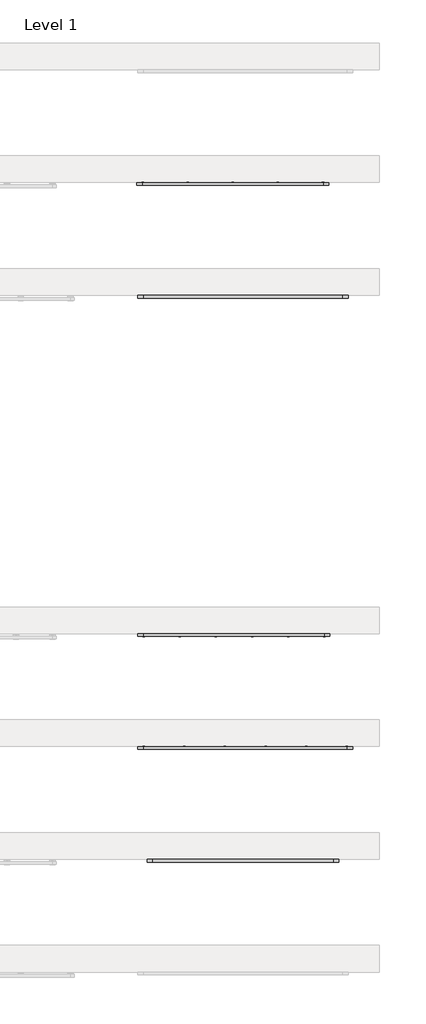
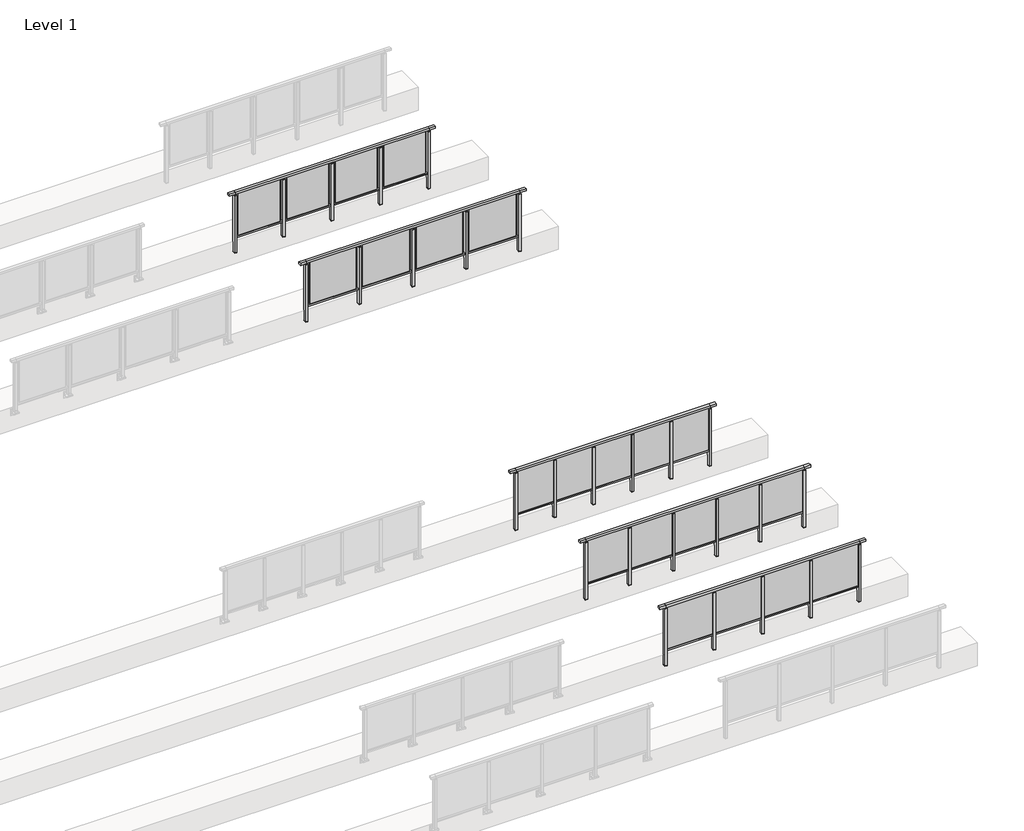
# One storey, part 27 of 37: 5 railings.
"""IFC4 building model written with IfcOpenShell, lengths in millimetres."""

from ifc_helpers import new_model, si_unit, frame, origin, place, context, project, spatial, polyline, outline, extrude, faceted_brep, element, save

model = new_model("IFC4")

# Units and contexts
model_context = context("Model", 3, world=origin())
ifc_project = project(units=[si_unit("LENGTHUNIT", "METRE", prefix="MILLI")], contexts=[model_context])

# Site, building, storey
site = spatial("IfcSite", under=ifc_project)
building = spatial("IfcBuilding", under=site)
storey = spatial("IfcBuildingStorey", under=building, Name="Level 1", Elevation=0.0)

# Railings
placement = place(None, origin())
element("IfcRailing", 1, at=placement, inside=storey, context=model_context, shape_type="SolidModel", body=[
    faceted_brep([(48227.0, 32397.6846828, 1055.0), (48227.0, 32397.6846828, 1100.0), (52227.0, 32397.6846828, 1100.0), (52227.0, 32397.6846828, 1055.0), (48227.0, 32337.6846828, 1055.0), (52227.0, 32337.6846828, 1055.0), (48227.0, 32337.6846828, 1100.0), (52227.0, 32337.6846828, 1100.0), (48099.5, 32397.6846828, 1100.0), (48099.5, 32397.6846828, 1055.0), (48099.5, 32337.6846828, 1055.0), (48099.5, 32337.6846828, 1100.0), (52354.5, 32397.6846828, 1100.0), (52354.5, 32337.6846828, 1100.0), (52354.5, 32337.6846828, 1055.0), (52354.5, 32397.6846828, 1055.0)], [[[0, 1, 2, 3]], [[4, 0, 3, 5]], [[6, 4, 5, 7]], [[1, 6, 7, 2]], [[8, 9, 10, 11]], [[9, 8, 1, 0]], [[10, 9, 0, 4]], [[11, 10, 4, 6]], [[8, 11, 6, 1]], [[12, 13, 14, 15]], [[3, 2, 12, 15]], [[5, 3, 15, 14]], [[7, 5, 14, 13]], [[2, 7, 13, 12]]]),
    extrude(outline(polyline([(48227.0, 32350.1846828), (48227.0, 32385.1846828), (52227.0, 32385.1846828), (52227.0, 32350.1846828), (48227.0, 32350.1846828)])), frame((0.0, 0.0, 95.0), z_axis=(0.0, 0.0, 1.0), x_axis=(1.0, 0.0, 0.0)), (0.0, 0.0, 1.0), 30.0),
    extrude(outline(polyline([(51237.0, 32361.9094929), (51237.0, 32371.9094929), (52217.0, 32371.9094929), (52217.0, 32361.9094929), (51237.0, 32361.9094929)])), frame((0.0, 0.0, 125.0), z_axis=(0.0, 0.0, 1.0), x_axis=(1.0, 0.0, 0.0)), (0.0, 0.0, 1.0), 930.0),
    extrude(outline(polyline([(51249.5, 32400.1846828), (51249.5, 32335.1846828), (51204.5, 32335.1846828), (51204.5, 32400.1846828), (51249.5, 32400.1846828)])), frame((0.0, 0.0, 1027.0), z_axis=(0.0, 0.0, 1.0), x_axis=(1.0, 0.0, 0.0)), (0.0, 0.0, 1.0), 8.0),
    extrude(outline(polyline([(51249.5, 32400.1846828), (51249.5, 32335.1846828), (51204.5, 32335.1846828), (51204.5, 32400.1846828), (51249.5, 32400.1846828)])), frame((0.0, 0.0, -212.0), z_axis=(0.0, 0.0, 1.0), x_axis=(1.0, 0.0, 0.0)), (0.0, 0.0, 1.0), 1239.0),
    extrude(outline(polyline([(51237.0, 32377.6846828), (51237.0, 32357.6846828), (51217.0, 32357.6846828), (51217.0, 32377.6846828), (51237.0, 32377.6846828)])), frame((0.0, 0.0, 1035.0), z_axis=(0.0, 0.0, 1.0), x_axis=(1.0, 0.0, 0.0)), (0.0, 0.0, 1.0), 20.0),
    extrude(outline(polyline([(51249.5, 32400.1846828), (51249.5, 32335.1846828), (51204.5, 32335.1846828), (51204.5, 32400.1846828), (51249.5, 32400.1846828)])), frame((0.0, 0.0, -220.0), z_axis=(0.0, 0.0, 1.0), x_axis=(1.0, 0.0, 0.0)), (0.0, 0.0, 1.0), 8.0),
    extrude(outline(polyline([(50237.0, 32361.9094929), (50237.0, 32371.9094929), (51217.0, 32371.9094929), (51217.0, 32361.9094929), (50237.0, 32361.9094929)])), frame((0.0, 0.0, 125.0), z_axis=(0.0, 0.0, 1.0), x_axis=(1.0, 0.0, 0.0)), (0.0, 0.0, 1.0), 930.0),
    extrude(outline(polyline([(50249.5, 32400.1846828), (50249.5, 32335.1846828), (50204.5, 32335.1846828), (50204.5, 32400.1846828), (50249.5, 32400.1846828)])), frame((0.0, 0.0, 1027.0), z_axis=(0.0, 0.0, 1.0), x_axis=(1.0, 0.0, 0.0)), (0.0, 0.0, 1.0), 8.0),
    extrude(outline(polyline([(50249.5, 32400.1846828), (50249.5, 32335.1846828), (50204.5, 32335.1846828), (50204.5, 32400.1846828), (50249.5, 32400.1846828)])), frame((0.0, 0.0, -212.0), z_axis=(0.0, 0.0, 1.0), x_axis=(1.0, 0.0, 0.0)), (0.0, 0.0, 1.0), 1239.0),
    extrude(outline(polyline([(50237.0, 32377.6846828), (50237.0, 32357.6846828), (50217.0, 32357.6846828), (50217.0, 32377.6846828), (50237.0, 32377.6846828)])), frame((0.0, 0.0, 1035.0), z_axis=(0.0, 0.0, 1.0), x_axis=(1.0, 0.0, 0.0)), (0.0, 0.0, 1.0), 20.0),
    extrude(outline(polyline([(50249.5, 32400.1846828), (50249.5, 32335.1846828), (50204.5, 32335.1846828), (50204.5, 32400.1846828), (50249.5, 32400.1846828)])), frame((0.0, 0.0, -220.0), z_axis=(0.0, 0.0, 1.0), x_axis=(1.0, 0.0, 0.0)), (0.0, 0.0, 1.0), 8.0),
    extrude(outline(polyline([(49237.0, 32361.9094929), (49237.0, 32371.9094929), (50217.0, 32371.9094929), (50217.0, 32361.9094929), (49237.0, 32361.9094929)])), frame((0.0, 0.0, 125.0), z_axis=(0.0, 0.0, 1.0), x_axis=(1.0, 0.0, 0.0)), (0.0, 0.0, 1.0), 930.0),
    extrude(outline(polyline([(49249.5, 32400.1846828), (49249.5, 32335.1846828), (49204.5, 32335.1846828), (49204.5, 32400.1846828), (49249.5, 32400.1846828)])), frame((0.0, 0.0, 1027.0), z_axis=(0.0, 0.0, 1.0), x_axis=(1.0, 0.0, 0.0)), (0.0, 0.0, 1.0), 8.0),
    extrude(outline(polyline([(49249.5, 32400.1846828), (49249.5, 32335.1846828), (49204.5, 32335.1846828), (49204.5, 32400.1846828), (49249.5, 32400.1846828)])), frame((0.0, 0.0, -212.0), z_axis=(0.0, 0.0, 1.0), x_axis=(1.0, 0.0, 0.0)), (0.0, 0.0, 1.0), 1239.0),
    extrude(outline(polyline([(49237.0, 32377.6846828), (49237.0, 32357.6846828), (49217.0, 32357.6846828), (49217.0, 32377.6846828), (49237.0, 32377.6846828)])), frame((0.0, 0.0, 1035.0), z_axis=(0.0, 0.0, 1.0), x_axis=(1.0, 0.0, 0.0)), (0.0, 0.0, 1.0), 20.0),
    extrude(outline(polyline([(49249.5, 32400.1846828), (49249.5, 32335.1846828), (49204.5, 32335.1846828), (49204.5, 32400.1846828), (49249.5, 32400.1846828)])), frame((0.0, 0.0, -220.0), z_axis=(0.0, 0.0, 1.0), x_axis=(1.0, 0.0, 0.0)), (0.0, 0.0, 1.0), 8.0),
    extrude(outline(polyline([(48237.0, 32361.9094929), (48237.0, 32371.9094929), (49217.0, 32371.9094929), (49217.0, 32361.9094929), (48237.0, 32361.9094929)])), frame((0.0, 0.0, 125.0), z_axis=(0.0, 0.0, 1.0), x_axis=(1.0, 0.0, 0.0)), (0.0, 0.0, 1.0), 930.0),
    extrude(outline(polyline([(52249.5, 32400.1846828), (52249.5, 32335.1846828), (52204.5, 32335.1846828), (52204.5, 32400.1846828), (52249.5, 32400.1846828)])), frame((0.0, 0.0, 1027.0), z_axis=(0.0, 0.0, 1.0), x_axis=(1.0, 0.0, 0.0)), (0.0, 0.0, 1.0), 8.0),
    extrude(outline(polyline([(52249.5, 32400.1846828), (52249.5, 32335.1846828), (52204.5, 32335.1846828), (52204.5, 32400.1846828), (52249.5, 32400.1846828)])), frame((0.0, 0.0, -212.0), z_axis=(0.0, 0.0, 1.0), x_axis=(1.0, 0.0, 0.0)), (0.0, 0.0, 1.0), 1239.0),
    extrude(outline(polyline([(52237.0, 32377.6846828), (52237.0, 32357.6846828), (52217.0, 32357.6846828), (52217.0, 32377.6846828), (52237.0, 32377.6846828)])), frame((0.0, 0.0, 1035.0), z_axis=(0.0, 0.0, 1.0), x_axis=(1.0, 0.0, 0.0)), (0.0, 0.0, 1.0), 20.0),
    extrude(outline(polyline([(52249.5, 32400.1846828), (52249.5, 32335.1846828), (52204.5, 32335.1846828), (52204.5, 32400.1846828), (52249.5, 32400.1846828)])), frame((0.0, 0.0, -220.0), z_axis=(0.0, 0.0, 1.0), x_axis=(1.0, 0.0, 0.0)), (0.0, 0.0, 1.0), 8.0),
    extrude(outline(polyline([(48249.5, 32400.1846828), (48249.5, 32335.1846828), (48204.5, 32335.1846828), (48204.5, 32400.1846828), (48249.5, 32400.1846828)])), frame((0.0, 0.0, 1027.0), z_axis=(0.0, 0.0, 1.0), x_axis=(1.0, 0.0, 0.0)), (0.0, 0.0, 1.0), 8.0),
    extrude(outline(polyline([(48249.5, 32400.1846828), (48249.5, 32335.1846828), (48204.5, 32335.1846828), (48204.5, 32400.1846828), (48249.5, 32400.1846828)])), frame((0.0, 0.0, -212.0), z_axis=(0.0, 0.0, 1.0), x_axis=(1.0, 0.0, 0.0)), (0.0, 0.0, 1.0), 1239.0),
    extrude(outline(polyline([(48237.0, 32377.6846828), (48237.0, 32357.6846828), (48217.0, 32357.6846828), (48217.0, 32377.6846828), (48237.0, 32377.6846828)])), frame((0.0, 0.0, 1035.0), z_axis=(0.0, 0.0, 1.0), x_axis=(1.0, 0.0, 0.0)), (0.0, 0.0, 1.0), 20.0),
    extrude(outline(polyline([(48249.5, 32400.1846828), (48249.5, 32335.1846828), (48204.5, 32335.1846828), (48204.5, 32400.1846828), (48249.5, 32400.1846828)])), frame((0.0, 0.0, -220.0), z_axis=(0.0, 0.0, 1.0), x_axis=(1.0, 0.0, 0.0)), (0.0, 0.0, 1.0), 8.0),
])
element("IfcRailing", 2, at=placement, inside=storey, context=model_context, shape_type="SolidModel", body=[
    faceted_brep([(48027.0, 34897.6846828, 1055.0), (48027.0, 34897.6846828, 1100.0), (52527.0, 34897.6846828, 1100.0), (52527.0, 34897.6846828, 1055.0), (48027.0, 34837.6846828, 1055.0), (52527.0, 34837.6846828, 1055.0), (48027.0, 34837.6846828, 1100.0), (52527.0, 34837.6846828, 1100.0), (47899.5, 34897.6846828, 1100.0), (47899.5, 34897.6846828, 1055.0), (47899.5, 34837.6846828, 1055.0), (47899.5, 34837.6846828, 1100.0), (52654.5, 34897.6846828, 1100.0), (52654.5, 34837.6846828, 1100.0), (52654.5, 34837.6846828, 1055.0), (52654.5, 34897.6846828, 1055.0)], [[[0, 1, 2, 3]], [[4, 0, 3, 5]], [[6, 4, 5, 7]], [[1, 6, 7, 2]], [[8, 9, 10, 11]], [[9, 8, 1, 0]], [[10, 9, 0, 4]], [[11, 10, 4, 6]], [[8, 11, 6, 1]], [[12, 13, 14, 15]], [[3, 2, 12, 15]], [[5, 3, 15, 14]], [[7, 5, 14, 13]], [[2, 7, 13, 12]]]),
    extrude(outline(polyline([(48027.0, 34850.1846828), (48027.0, 34885.1846828), (52527.0, 34885.1846828), (52527.0, 34850.1846828), (48027.0, 34850.1846828)])), frame((0.0, 0.0, 95.0), z_axis=(0.0, 0.0, 1.0), x_axis=(1.0, 0.0, 0.0)), (0.0, 0.0, 1.0), 30.0),
    extrude(outline(polyline([(51637.0, 34861.9094929), (51637.0, 34871.9094929), (52517.0, 34871.9094929), (52517.0, 34861.9094929), (51637.0, 34861.9094929)])), frame((0.0, 0.0, 125.0), z_axis=(0.0, 0.0, 1.0), x_axis=(1.0, 0.0, 0.0)), (0.0, 0.0, 1.0), 930.0),
    extrude(outline(polyline([(51649.5, 34900.1846828), (51649.5, 34835.1846828), (51604.5, 34835.1846828), (51604.5, 34900.1846828), (51649.5, 34900.1846828)])), frame((0.0, 0.0, 1027.0), z_axis=(0.0, 0.0, 1.0), x_axis=(1.0, 0.0, 0.0)), (0.0, 0.0, 1.0), 8.0),
    extrude(outline(polyline([(51649.5, 34900.1846828), (51649.5, 34835.1846828), (51604.5, 34835.1846828), (51604.5, 34900.1846828), (51649.5, 34900.1846828)])), frame((0.0, 0.0, -212.0), z_axis=(0.0, 0.0, 1.0), x_axis=(1.0, 0.0, 0.0)), (0.0, 0.0, 1.0), 1239.0),
    extrude(outline(polyline([(51637.0, 34877.6846828), (51637.0, 34857.6846828), (51617.0, 34857.6846828), (51617.0, 34877.6846828), (51637.0, 34877.6846828)])), frame((0.0, 0.0, 1035.0), z_axis=(0.0, 0.0, 1.0), x_axis=(1.0, 0.0, 0.0)), (0.0, 0.0, 1.0), 20.0),
    extrude(outline(polyline([(51649.5, 34900.1846828), (51649.5, 34835.1846828), (51604.5, 34835.1846828), (51604.5, 34900.1846828), (51649.5, 34900.1846828)])), frame((0.0, 0.0, -220.0), z_axis=(0.0, 0.0, 1.0), x_axis=(1.0, 0.0, 0.0)), (0.0, 0.0, 1.0), 8.0),
    extrude(outline(polyline([(50737.0, 34861.9094929), (50737.0, 34871.9094929), (51617.0, 34871.9094929), (51617.0, 34861.9094929), (50737.0, 34861.9094929)])), frame((0.0, 0.0, 125.0), z_axis=(0.0, 0.0, 1.0), x_axis=(1.0, 0.0, 0.0)), (0.0, 0.0, 1.0), 930.0),
    extrude(outline(polyline([(50749.5, 34900.1846828), (50749.5, 34835.1846828), (50704.5, 34835.1846828), (50704.5, 34900.1846828), (50749.5, 34900.1846828)])), frame((0.0, 0.0, 1027.0), z_axis=(0.0, 0.0, 1.0), x_axis=(1.0, 0.0, 0.0)), (0.0, 0.0, 1.0), 8.0),
    extrude(outline(polyline([(50749.5, 34900.1846828), (50749.5, 34835.1846828), (50704.5, 34835.1846828), (50704.5, 34900.1846828), (50749.5, 34900.1846828)])), frame((0.0, 0.0, -212.0), z_axis=(0.0, 0.0, 1.0), x_axis=(1.0, 0.0, 0.0)), (0.0, 0.0, 1.0), 1239.0),
    extrude(outline(polyline([(50737.0, 34877.6846828), (50737.0, 34857.6846828), (50717.0, 34857.6846828), (50717.0, 34877.6846828), (50737.0, 34877.6846828)])), frame((0.0, 0.0, 1035.0), z_axis=(0.0, 0.0, 1.0), x_axis=(1.0, 0.0, 0.0)), (0.0, 0.0, 1.0), 20.0),
    extrude(outline(polyline([(50749.5, 34900.1846828), (50749.5, 34835.1846828), (50704.5, 34835.1846828), (50704.5, 34900.1846828), (50749.5, 34900.1846828)])), frame((0.0, 0.0, -220.0), z_axis=(0.0, 0.0, 1.0), x_axis=(1.0, 0.0, 0.0)), (0.0, 0.0, 1.0), 8.0),
    extrude(outline(polyline([(49837.0, 34861.9094929), (49837.0, 34871.9094929), (50717.0, 34871.9094929), (50717.0, 34861.9094929), (49837.0, 34861.9094929)])), frame((0.0, 0.0, 125.0), z_axis=(0.0, 0.0, 1.0), x_axis=(1.0, 0.0, 0.0)), (0.0, 0.0, 1.0), 930.0),
    extrude(outline(polyline([(49849.5, 34900.1846828), (49849.5, 34835.1846828), (49804.5, 34835.1846828), (49804.5, 34900.1846828), (49849.5, 34900.1846828)])), frame((0.0, 0.0, 1027.0), z_axis=(0.0, 0.0, 1.0), x_axis=(1.0, 0.0, 0.0)), (0.0, 0.0, 1.0), 8.0),
    extrude(outline(polyline([(49849.5, 34900.1846828), (49849.5, 34835.1846828), (49804.5, 34835.1846828), (49804.5, 34900.1846828), (49849.5, 34900.1846828)])), frame((0.0, 0.0, -212.0), z_axis=(0.0, 0.0, 1.0), x_axis=(1.0, 0.0, 0.0)), (0.0, 0.0, 1.0), 1239.0),
    extrude(outline(polyline([(49837.0, 34877.6846828), (49837.0, 34857.6846828), (49817.0, 34857.6846828), (49817.0, 34877.6846828), (49837.0, 34877.6846828)])), frame((0.0, 0.0, 1035.0), z_axis=(0.0, 0.0, 1.0), x_axis=(1.0, 0.0, 0.0)), (0.0, 0.0, 1.0), 20.0),
    extrude(outline(polyline([(49849.5, 34900.1846828), (49849.5, 34835.1846828), (49804.5, 34835.1846828), (49804.5, 34900.1846828), (49849.5, 34900.1846828)])), frame((0.0, 0.0, -220.0), z_axis=(0.0, 0.0, 1.0), x_axis=(1.0, 0.0, 0.0)), (0.0, 0.0, 1.0), 8.0),
    extrude(outline(polyline([(48937.0, 34861.9094929), (48937.0, 34871.9094929), (49817.0, 34871.9094929), (49817.0, 34861.9094929), (48937.0, 34861.9094929)])), frame((0.0, 0.0, 125.0), z_axis=(0.0, 0.0, 1.0), x_axis=(1.0, 0.0, 0.0)), (0.0, 0.0, 1.0), 930.0),
    extrude(outline(polyline([(48949.5, 34900.1846828), (48949.5, 34835.1846828), (48904.5, 34835.1846828), (48904.5, 34900.1846828), (48949.5, 34900.1846828)])), frame((0.0, 0.0, 1027.0), z_axis=(0.0, 0.0, 1.0), x_axis=(1.0, 0.0, 0.0)), (0.0, 0.0, 1.0), 8.0),
    extrude(outline(polyline([(48949.5, 34900.1846828), (48949.5, 34835.1846828), (48904.5, 34835.1846828), (48904.5, 34900.1846828), (48949.5, 34900.1846828)])), frame((0.0, 0.0, -212.0), z_axis=(0.0, 0.0, 1.0), x_axis=(1.0, 0.0, 0.0)), (0.0, 0.0, 1.0), 1239.0),
    extrude(outline(polyline([(48937.0, 34877.6846828), (48937.0, 34857.6846828), (48917.0, 34857.6846828), (48917.0, 34877.6846828), (48937.0, 34877.6846828)])), frame((0.0, 0.0, 1035.0), z_axis=(0.0, 0.0, 1.0), x_axis=(1.0, 0.0, 0.0)), (0.0, 0.0, 1.0), 20.0),
    extrude(outline(polyline([(48949.5, 34900.1846828), (48949.5, 34835.1846828), (48904.5, 34835.1846828), (48904.5, 34900.1846828), (48949.5, 34900.1846828)])), frame((0.0, 0.0, -220.0), z_axis=(0.0, 0.0, 1.0), x_axis=(1.0, 0.0, 0.0)), (0.0, 0.0, 1.0), 8.0),
    extrude(outline(polyline([(48037.0, 34861.9094929), (48037.0, 34871.9094929), (48917.0, 34871.9094929), (48917.0, 34861.9094929), (48037.0, 34861.9094929)])), frame((0.0, 0.0, 125.0), z_axis=(0.0, 0.0, 1.0), x_axis=(1.0, 0.0, 0.0)), (0.0, 0.0, 1.0), 930.0),
    extrude(outline(polyline([(52549.5, 34900.1846828), (52549.5, 34835.1846828), (52504.5, 34835.1846828), (52504.5, 34900.1846828), (52549.5, 34900.1846828)])), frame((0.0, 0.0, 1027.0), z_axis=(0.0, 0.0, 1.0), x_axis=(1.0, 0.0, 0.0)), (0.0, 0.0, 1.0), 8.0),
    extrude(outline(polyline([(52549.5, 34900.1846828), (52549.5, 34835.1846828), (52504.5, 34835.1846828), (52504.5, 34900.1846828), (52549.5, 34900.1846828)])), frame((0.0, 0.0, -212.0), z_axis=(0.0, 0.0, 1.0), x_axis=(1.0, 0.0, 0.0)), (0.0, 0.0, 1.0), 1239.0),
    extrude(outline(polyline([(52537.0, 34877.6846828), (52537.0, 34857.6846828), (52517.0, 34857.6846828), (52517.0, 34877.6846828), (52537.0, 34877.6846828)])), frame((0.0, 0.0, 1035.0), z_axis=(0.0, 0.0, 1.0), x_axis=(1.0, 0.0, 0.0)), (0.0, 0.0, 1.0), 20.0),
    extrude(outline(polyline([(52549.5, 34900.1846828), (52549.5, 34835.1846828), (52504.5, 34835.1846828), (52504.5, 34900.1846828), (52549.5, 34900.1846828)])), frame((0.0, 0.0, -220.0), z_axis=(0.0, 0.0, 1.0), x_axis=(1.0, 0.0, 0.0)), (0.0, 0.0, 1.0), 8.0),
    extrude(outline(polyline([(48049.5, 34900.1846828), (48049.5, 34835.1846828), (48004.5, 34835.1846828), (48004.5, 34900.1846828), (48049.5, 34900.1846828)])), frame((0.0, 0.0, 1027.0), z_axis=(0.0, 0.0, 1.0), x_axis=(1.0, 0.0, 0.0)), (0.0, 0.0, 1.0), 8.0),
    extrude(outline(polyline([(48049.5, 34900.1846828), (48049.5, 34835.1846828), (48004.5, 34835.1846828), (48004.5, 34900.1846828), (48049.5, 34900.1846828)])), frame((0.0, 0.0, -212.0), z_axis=(0.0, 0.0, 1.0), x_axis=(1.0, 0.0, 0.0)), (0.0, 0.0, 1.0), 1239.0),
    extrude(outline(polyline([(48037.0, 34877.6846828), (48037.0, 34857.6846828), (48017.0, 34857.6846828), (48017.0, 34877.6846828), (48037.0, 34877.6846828)])), frame((0.0, 0.0, 1035.0), z_axis=(0.0, 0.0, 1.0), x_axis=(1.0, 0.0, 0.0)), (0.0, 0.0, 1.0), 20.0),
    extrude(outline(polyline([(48049.5, 34900.1846828), (48049.5, 34835.1846828), (48004.5, 34835.1846828), (48004.5, 34900.1846828), (48049.5, 34900.1846828)])), frame((0.0, 0.0, -220.0), z_axis=(0.0, 0.0, 1.0), x_axis=(1.0, 0.0, 0.0)), (0.0, 0.0, 1.0), 8.0),
])
element("IfcRailing", 3, at=placement, inside=storey, context=model_context, shape_type="SolidModel", body=[
    faceted_brep([(48027.0, 37397.6846828, 1055.0), (48027.0, 37397.6846828, 1100.0), (52027.0, 37397.6846828, 1100.0), (52027.0, 37397.6846828, 1055.0), (48027.0, 37337.6846828, 1055.0), (52027.0, 37337.6846828, 1055.0), (48027.0, 37337.6846828, 1100.0), (52027.0, 37337.6846828, 1100.0), (47899.5, 37397.6846828, 1100.0), (47899.5, 37397.6846828, 1055.0), (47899.5, 37337.6846828, 1055.0), (47899.5, 37337.6846828, 1100.0), (52154.5, 37397.6846828, 1100.0), (52154.5, 37337.6846828, 1100.0), (52154.5, 37337.6846828, 1055.0), (52154.5, 37397.6846828, 1055.0)], [[[0, 1, 2, 3]], [[4, 0, 3, 5]], [[6, 4, 5, 7]], [[1, 6, 7, 2]], [[8, 9, 10, 11]], [[9, 8, 1, 0]], [[10, 9, 0, 4]], [[11, 10, 4, 6]], [[8, 11, 6, 1]], [[12, 13, 14, 15]], [[3, 2, 12, 15]], [[5, 3, 15, 14]], [[7, 5, 14, 13]], [[2, 7, 13, 12]]]),
    extrude(outline(polyline([(48027.0, 37350.1846828), (48027.0, 37385.1846828), (52027.0, 37385.1846828), (52027.0, 37350.1846828), (48027.0, 37350.1846828)])), frame((0.0, 0.0, 95.0), z_axis=(0.0, 0.0, 1.0), x_axis=(1.0, 0.0, 0.0)), (0.0, 0.0, 1.0), 30.0),
    extrude(outline(polyline([(51237.0, 37361.9094929), (51237.0, 37371.9094929), (52017.0, 37371.9094929), (52017.0, 37361.9094929), (51237.0, 37361.9094929)])), frame((0.0, 0.0, 125.0), z_axis=(0.0, 0.0, 1.0), x_axis=(1.0, 0.0, 0.0)), (0.0, 0.0, 1.0), 930.0),
    extrude(outline(polyline([(51249.5, 37400.1846828), (51249.5, 37335.1846828), (51204.5, 37335.1846828), (51204.5, 37400.1846828), (51249.5, 37400.1846828)])), frame((0.0, 0.0, 1027.0), z_axis=(0.0, 0.0, 1.0), x_axis=(1.0, 0.0, 0.0)), (0.0, 0.0, 1.0), 8.0),
    extrude(outline(polyline([(51249.5, 37400.1846828), (51249.5, 37335.1846828), (51204.5, 37335.1846828), (51204.5, 37400.1846828), (51249.5, 37400.1846828)])), frame((0.0, 0.0, -212.0), z_axis=(0.0, 0.0, 1.0), x_axis=(1.0, 0.0, 0.0)), (0.0, 0.0, 1.0), 1239.0),
    extrude(outline(polyline([(51237.0, 37377.6846828), (51237.0, 37357.6846828), (51217.0, 37357.6846828), (51217.0, 37377.6846828), (51237.0, 37377.6846828)])), frame((0.0, 0.0, 1035.0), z_axis=(0.0, 0.0, 1.0), x_axis=(1.0, 0.0, 0.0)), (0.0, 0.0, 1.0), 20.0),
    extrude(outline(polyline([(51249.5, 37400.1846828), (51249.5, 37335.1846828), (51204.5, 37335.1846828), (51204.5, 37400.1846828), (51249.5, 37400.1846828)])), frame((0.0, 0.0, -220.0), z_axis=(0.0, 0.0, 1.0), x_axis=(1.0, 0.0, 0.0)), (0.0, 0.0, 1.0), 8.0),
    extrude(outline(polyline([(50437.0, 37361.9094929), (50437.0, 37371.9094929), (51217.0, 37371.9094929), (51217.0, 37361.9094929), (50437.0, 37361.9094929)])), frame((0.0, 0.0, 125.0), z_axis=(0.0, 0.0, 1.0), x_axis=(1.0, 0.0, 0.0)), (0.0, 0.0, 1.0), 930.0),
    extrude(outline(polyline([(50449.5, 37400.1846828), (50449.5, 37335.1846828), (50404.5, 37335.1846828), (50404.5, 37400.1846828), (50449.5, 37400.1846828)])), frame((0.0, 0.0, 1027.0), z_axis=(0.0, 0.0, 1.0), x_axis=(1.0, 0.0, 0.0)), (0.0, 0.0, 1.0), 8.0),
    extrude(outline(polyline([(50449.5, 37400.1846828), (50449.5, 37335.1846828), (50404.5, 37335.1846828), (50404.5, 37400.1846828), (50449.5, 37400.1846828)])), frame((0.0, 0.0, -212.0), z_axis=(0.0, 0.0, 1.0), x_axis=(1.0, 0.0, 0.0)), (0.0, 0.0, 1.0), 1239.0),
    extrude(outline(polyline([(50437.0, 37377.6846828), (50437.0, 37357.6846828), (50417.0, 37357.6846828), (50417.0, 37377.6846828), (50437.0, 37377.6846828)])), frame((0.0, 0.0, 1035.0), z_axis=(0.0, 0.0, 1.0), x_axis=(1.0, 0.0, 0.0)), (0.0, 0.0, 1.0), 20.0),
    extrude(outline(polyline([(50449.5, 37400.1846828), (50449.5, 37335.1846828), (50404.5, 37335.1846828), (50404.5, 37400.1846828), (50449.5, 37400.1846828)])), frame((0.0, 0.0, -220.0), z_axis=(0.0, 0.0, 1.0), x_axis=(1.0, 0.0, 0.0)), (0.0, 0.0, 1.0), 8.0),
    extrude(outline(polyline([(49637.0, 37361.9094929), (49637.0, 37371.9094929), (50417.0, 37371.9094929), (50417.0, 37361.9094929), (49637.0, 37361.9094929)])), frame((0.0, 0.0, 125.0), z_axis=(0.0, 0.0, 1.0), x_axis=(1.0, 0.0, 0.0)), (0.0, 0.0, 1.0), 930.0),
    extrude(outline(polyline([(49649.5, 37400.1846828), (49649.5, 37335.1846828), (49604.5, 37335.1846828), (49604.5, 37400.1846828), (49649.5, 37400.1846828)])), frame((0.0, 0.0, 1027.0), z_axis=(0.0, 0.0, 1.0), x_axis=(1.0, 0.0, 0.0)), (0.0, 0.0, 1.0), 8.0),
    extrude(outline(polyline([(49649.5, 37400.1846828), (49649.5, 37335.1846828), (49604.5, 37335.1846828), (49604.5, 37400.1846828), (49649.5, 37400.1846828)])), frame((0.0, 0.0, -212.0), z_axis=(0.0, 0.0, 1.0), x_axis=(1.0, 0.0, 0.0)), (0.0, 0.0, 1.0), 1239.0),
    extrude(outline(polyline([(49637.0, 37377.6846828), (49637.0, 37357.6846828), (49617.0, 37357.6846828), (49617.0, 37377.6846828), (49637.0, 37377.6846828)])), frame((0.0, 0.0, 1035.0), z_axis=(0.0, 0.0, 1.0), x_axis=(1.0, 0.0, 0.0)), (0.0, 0.0, 1.0), 20.0),
    extrude(outline(polyline([(49649.5, 37400.1846828), (49649.5, 37335.1846828), (49604.5, 37335.1846828), (49604.5, 37400.1846828), (49649.5, 37400.1846828)])), frame((0.0, 0.0, -220.0), z_axis=(0.0, 0.0, 1.0), x_axis=(1.0, 0.0, 0.0)), (0.0, 0.0, 1.0), 8.0),
    extrude(outline(polyline([(48837.0, 37361.9094929), (48837.0, 37371.9094929), (49617.0, 37371.9094929), (49617.0, 37361.9094929), (48837.0, 37361.9094929)])), frame((0.0, 0.0, 125.0), z_axis=(0.0, 0.0, 1.0), x_axis=(1.0, 0.0, 0.0)), (0.0, 0.0, 1.0), 930.0),
    extrude(outline(polyline([(48849.5, 37400.1846828), (48849.5, 37335.1846828), (48804.5, 37335.1846828), (48804.5, 37400.1846828), (48849.5, 37400.1846828)])), frame((0.0, 0.0, 1027.0), z_axis=(0.0, 0.0, 1.0), x_axis=(1.0, 0.0, 0.0)), (0.0, 0.0, 1.0), 8.0),
    extrude(outline(polyline([(48849.5, 37400.1846828), (48849.5, 37335.1846828), (48804.5, 37335.1846828), (48804.5, 37400.1846828), (48849.5, 37400.1846828)])), frame((0.0, 0.0, -212.0), z_axis=(0.0, 0.0, 1.0), x_axis=(1.0, 0.0, 0.0)), (0.0, 0.0, 1.0), 1239.0),
    extrude(outline(polyline([(48837.0, 37377.6846828), (48837.0, 37357.6846828), (48817.0, 37357.6846828), (48817.0, 37377.6846828), (48837.0, 37377.6846828)])), frame((0.0, 0.0, 1035.0), z_axis=(0.0, 0.0, 1.0), x_axis=(1.0, 0.0, 0.0)), (0.0, 0.0, 1.0), 20.0),
    extrude(outline(polyline([(48849.5, 37400.1846828), (48849.5, 37335.1846828), (48804.5, 37335.1846828), (48804.5, 37400.1846828), (48849.5, 37400.1846828)])), frame((0.0, 0.0, -220.0), z_axis=(0.0, 0.0, 1.0), x_axis=(1.0, 0.0, 0.0)), (0.0, 0.0, 1.0), 8.0),
    extrude(outline(polyline([(48037.0, 37361.9094929), (48037.0, 37371.9094929), (48817.0, 37371.9094929), (48817.0, 37361.9094929), (48037.0, 37361.9094929)])), frame((0.0, 0.0, 125.0), z_axis=(0.0, 0.0, 1.0), x_axis=(1.0, 0.0, 0.0)), (0.0, 0.0, 1.0), 930.0),
    extrude(outline(polyline([(52049.5, 37400.1846828), (52049.5, 37335.1846828), (52004.5, 37335.1846828), (52004.5, 37400.1846828), (52049.5, 37400.1846828)])), frame((0.0, 0.0, 1027.0), z_axis=(0.0, 0.0, 1.0), x_axis=(1.0, 0.0, 0.0)), (0.0, 0.0, 1.0), 8.0),
    extrude(outline(polyline([(52049.5, 37400.1846828), (52049.5, 37335.1846828), (52004.5, 37335.1846828), (52004.5, 37400.1846828), (52049.5, 37400.1846828)])), frame((0.0, 0.0, -212.0), z_axis=(0.0, 0.0, 1.0), x_axis=(1.0, 0.0, 0.0)), (0.0, 0.0, 1.0), 1239.0),
    extrude(outline(polyline([(52037.0, 37377.6846828), (52037.0, 37357.6846828), (52017.0, 37357.6846828), (52017.0, 37377.6846828), (52037.0, 37377.6846828)])), frame((0.0, 0.0, 1035.0), z_axis=(0.0, 0.0, 1.0), x_axis=(1.0, 0.0, 0.0)), (0.0, 0.0, 1.0), 20.0),
    extrude(outline(polyline([(52049.5, 37400.1846828), (52049.5, 37335.1846828), (52004.5, 37335.1846828), (52004.5, 37400.1846828), (52049.5, 37400.1846828)])), frame((0.0, 0.0, -220.0), z_axis=(0.0, 0.0, 1.0), x_axis=(1.0, 0.0, 0.0)), (0.0, 0.0, 1.0), 8.0),
    extrude(outline(polyline([(48049.5, 37400.1846828), (48049.5, 37335.1846828), (48004.5, 37335.1846828), (48004.5, 37400.1846828), (48049.5, 37400.1846828)])), frame((0.0, 0.0, 1027.0), z_axis=(0.0, 0.0, 1.0), x_axis=(1.0, 0.0, 0.0)), (0.0, 0.0, 1.0), 8.0),
    extrude(outline(polyline([(48049.5, 37400.1846828), (48049.5, 37335.1846828), (48004.5, 37335.1846828), (48004.5, 37400.1846828), (48049.5, 37400.1846828)])), frame((0.0, 0.0, -212.0), z_axis=(0.0, 0.0, 1.0), x_axis=(1.0, 0.0, 0.0)), (0.0, 0.0, 1.0), 1239.0),
    extrude(outline(polyline([(48037.0, 37377.6846828), (48037.0, 37357.6846828), (48017.0, 37357.6846828), (48017.0, 37377.6846828), (48037.0, 37377.6846828)])), frame((0.0, 0.0, 1035.0), z_axis=(0.0, 0.0, 1.0), x_axis=(1.0, 0.0, 0.0)), (0.0, 0.0, 1.0), 20.0),
    extrude(outline(polyline([(48049.5, 37400.1846828), (48049.5, 37335.1846828), (48004.5, 37335.1846828), (48004.5, 37400.1846828), (48049.5, 37400.1846828)])), frame((0.0, 0.0, -220.0), z_axis=(0.0, 0.0, 1.0), x_axis=(1.0, 0.0, 0.0)), (0.0, 0.0, 1.0), 8.0),
])
element("IfcRailing", 4, at=placement, inside=storey, context=model_context, shape_type="SolidModel", body=[
    faceted_brep([(48027.0, 44897.6846828, 1055.0), (48027.0, 44897.6846828, 1100.0), (52427.0, 44897.6846828, 1100.0), (52427.0, 44897.6846828, 1055.0), (48027.0, 44837.6846828, 1055.0), (52427.0, 44837.6846828, 1055.0), (48027.0, 44837.6846828, 1100.0), (52427.0, 44837.6846828, 1100.0), (47899.5, 44897.6846828, 1100.0), (47899.5, 44897.6846828, 1055.0), (47899.5, 44837.6846828, 1055.0), (47899.5, 44837.6846828, 1100.0), (52554.5, 44897.6846828, 1100.0), (52554.5, 44837.6846828, 1100.0), (52554.5, 44837.6846828, 1055.0), (52554.5, 44897.6846828, 1055.0)], [[[0, 1, 2, 3]], [[4, 0, 3, 5]], [[6, 4, 5, 7]], [[1, 6, 7, 2]], [[8, 9, 10, 11]], [[9, 8, 1, 0]], [[10, 9, 0, 4]], [[11, 10, 4, 6]], [[8, 11, 6, 1]], [[12, 13, 14, 15]], [[3, 2, 12, 15]], [[5, 3, 15, 14]], [[7, 5, 14, 13]], [[2, 7, 13, 12]]]),
    extrude(outline(polyline([(48027.0, 44850.1846828), (48027.0, 44885.1846828), (52427.0, 44885.1846828), (52427.0, 44850.1846828), (48027.0, 44850.1846828)])), frame((0.0, 0.0, 95.0), z_axis=(0.0, 0.0, 1.0), x_axis=(1.0, 0.0, 0.0)), (0.0, 0.0, 1.0), 30.0),
    extrude(outline(polyline([(51399.5, 44865.9094929), (51399.5, 44871.9094929), (52354.5, 44871.9094929), (52354.5, 44865.9094929), (51399.5, 44865.9094929)])), frame((0.0, 0.0, 125.0), z_axis=(0.0, 0.0, 1.0), x_axis=(1.0, 0.0, 0.0)), (0.0, 0.0, 1.0), 930.0),
    extrude(outline(polyline([(51349.5, 44900.1846828), (51349.5, 44835.1846828), (51304.5, 44835.1846828), (51304.5, 44900.1846828), (51349.5, 44900.1846828)])), frame((0.0, 0.0, 1027.0), z_axis=(0.0, 0.0, 1.0), x_axis=(1.0, 0.0, 0.0)), (0.0, 0.0, 1.0), 8.0),
    extrude(outline(polyline([(51349.5, 44900.1846828), (51349.5, 44835.1846828), (51304.5, 44835.1846828), (51304.5, 44900.1846828), (51349.5, 44900.1846828)])), frame((0.0, 0.0, -212.0), z_axis=(0.0, 0.0, 1.0), x_axis=(1.0, 0.0, 0.0)), (0.0, 0.0, 1.0), 1239.0),
    extrude(outline(polyline([(51337.0, 44877.6846828), (51337.0, 44857.6846828), (51317.0, 44857.6846828), (51317.0, 44877.6846828), (51337.0, 44877.6846828)])), frame((0.0, 0.0, 1035.0), z_axis=(0.0, 0.0, 1.0), x_axis=(1.0, 0.0, 0.0)), (0.0, 0.0, 1.0), 20.0),
    extrude(outline(polyline([(51349.5, 44900.1846828), (51349.5, 44835.1846828), (51304.5, 44835.1846828), (51304.5, 44900.1846828), (51349.5, 44900.1846828)])), frame((0.0, 0.0, -220.0), z_axis=(0.0, 0.0, 1.0), x_axis=(1.0, 0.0, 0.0)), (0.0, 0.0, 1.0), 8.0),
    extrude(outline(polyline([(50299.5, 44865.9094929), (50299.5, 44871.9094929), (51254.5, 44871.9094929), (51254.5, 44865.9094929), (50299.5, 44865.9094929)])), frame((0.0, 0.0, 125.0), z_axis=(0.0, 0.0, 1.0), x_axis=(1.0, 0.0, 0.0)), (0.0, 0.0, 1.0), 930.0),
    extrude(outline(polyline([(50249.5, 44900.1846828), (50249.5, 44835.1846828), (50204.5, 44835.1846828), (50204.5, 44900.1846828), (50249.5, 44900.1846828)])), frame((0.0, 0.0, 1027.0), z_axis=(0.0, 0.0, 1.0), x_axis=(1.0, 0.0, 0.0)), (0.0, 0.0, 1.0), 8.0),
    extrude(outline(polyline([(50249.5, 44900.1846828), (50249.5, 44835.1846828), (50204.5, 44835.1846828), (50204.5, 44900.1846828), (50249.5, 44900.1846828)])), frame((0.0, 0.0, -212.0), z_axis=(0.0, 0.0, 1.0), x_axis=(1.0, 0.0, 0.0)), (0.0, 0.0, 1.0), 1239.0),
    extrude(outline(polyline([(50237.0, 44877.6846828), (50237.0, 44857.6846828), (50217.0, 44857.6846828), (50217.0, 44877.6846828), (50237.0, 44877.6846828)])), frame((0.0, 0.0, 1035.0), z_axis=(0.0, 0.0, 1.0), x_axis=(1.0, 0.0, 0.0)), (0.0, 0.0, 1.0), 20.0),
    extrude(outline(polyline([(50249.5, 44900.1846828), (50249.5, 44835.1846828), (50204.5, 44835.1846828), (50204.5, 44900.1846828), (50249.5, 44900.1846828)])), frame((0.0, 0.0, -220.0), z_axis=(0.0, 0.0, 1.0), x_axis=(1.0, 0.0, 0.0)), (0.0, 0.0, 1.0), 8.0),
    extrude(outline(polyline([(49199.5, 44865.9094929), (49199.5, 44871.9094929), (50154.5, 44871.9094929), (50154.5, 44865.9094929), (49199.5, 44865.9094929)])), frame((0.0, 0.0, 125.0), z_axis=(0.0, 0.0, 1.0), x_axis=(1.0, 0.0, 0.0)), (0.0, 0.0, 1.0), 930.0),
    extrude(outline(polyline([(49149.5, 44900.1846828), (49149.5, 44835.1846828), (49104.5, 44835.1846828), (49104.5, 44900.1846828), (49149.5, 44900.1846828)])), frame((0.0, 0.0, 1027.0), z_axis=(0.0, 0.0, 1.0), x_axis=(1.0, 0.0, 0.0)), (0.0, 0.0, 1.0), 8.0),
    extrude(outline(polyline([(49149.5, 44900.1846828), (49149.5, 44835.1846828), (49104.5, 44835.1846828), (49104.5, 44900.1846828), (49149.5, 44900.1846828)])), frame((0.0, 0.0, -212.0), z_axis=(0.0, 0.0, 1.0), x_axis=(1.0, 0.0, 0.0)), (0.0, 0.0, 1.0), 1239.0),
    extrude(outline(polyline([(49137.0, 44877.6846828), (49137.0, 44857.6846828), (49117.0, 44857.6846828), (49117.0, 44877.6846828), (49137.0, 44877.6846828)])), frame((0.0, 0.0, 1035.0), z_axis=(0.0, 0.0, 1.0), x_axis=(1.0, 0.0, 0.0)), (0.0, 0.0, 1.0), 20.0),
    extrude(outline(polyline([(49149.5, 44900.1846828), (49149.5, 44835.1846828), (49104.5, 44835.1846828), (49104.5, 44900.1846828), (49149.5, 44900.1846828)])), frame((0.0, 0.0, -220.0), z_axis=(0.0, 0.0, 1.0), x_axis=(1.0, 0.0, 0.0)), (0.0, 0.0, 1.0), 8.0),
    extrude(outline(polyline([(48099.5, 44865.9094929), (48099.5, 44871.9094929), (49054.5, 44871.9094929), (49054.5, 44865.9094929), (48099.5, 44865.9094929)])), frame((0.0, 0.0, 125.0), z_axis=(0.0, 0.0, 1.0), x_axis=(1.0, 0.0, 0.0)), (0.0, 0.0, 1.0), 930.0),
    extrude(outline(polyline([(52449.5, 44900.1846828), (52449.5, 44835.1846828), (52404.5, 44835.1846828), (52404.5, 44900.1846828), (52449.5, 44900.1846828)])), frame((0.0, 0.0, 1027.0), z_axis=(0.0, 0.0, 1.0), x_axis=(1.0, 0.0, 0.0)), (0.0, 0.0, 1.0), 8.0),
    extrude(outline(polyline([(52449.5, 44900.1846828), (52449.5, 44835.1846828), (52404.5, 44835.1846828), (52404.5, 44900.1846828), (52449.5, 44900.1846828)])), frame((0.0, 0.0, -212.0), z_axis=(0.0, 0.0, 1.0), x_axis=(1.0, 0.0, 0.0)), (0.0, 0.0, 1.0), 1239.0),
    extrude(outline(polyline([(52437.0, 44877.6846828), (52437.0, 44857.6846828), (52417.0, 44857.6846828), (52417.0, 44877.6846828), (52437.0, 44877.6846828)])), frame((0.0, 0.0, 1035.0), z_axis=(0.0, 0.0, 1.0), x_axis=(1.0, 0.0, 0.0)), (0.0, 0.0, 1.0), 20.0),
    extrude(outline(polyline([(52449.5, 44900.1846828), (52449.5, 44835.1846828), (52404.5, 44835.1846828), (52404.5, 44900.1846828), (52449.5, 44900.1846828)])), frame((0.0, 0.0, -220.0), z_axis=(0.0, 0.0, 1.0), x_axis=(1.0, 0.0, 0.0)), (0.0, 0.0, 1.0), 8.0),
    extrude(outline(polyline([(48049.5, 44900.1846828), (48049.5, 44835.1846828), (48004.5, 44835.1846828), (48004.5, 44900.1846828), (48049.5, 44900.1846828)])), frame((0.0, 0.0, 1027.0), z_axis=(0.0, 0.0, 1.0), x_axis=(1.0, 0.0, 0.0)), (0.0, 0.0, 1.0), 8.0),
    extrude(outline(polyline([(48049.5, 44900.1846828), (48049.5, 44835.1846828), (48004.5, 44835.1846828), (48004.5, 44900.1846828), (48049.5, 44900.1846828)])), frame((0.0, 0.0, -212.0), z_axis=(0.0, 0.0, 1.0), x_axis=(1.0, 0.0, 0.0)), (0.0, 0.0, 1.0), 1239.0),
    extrude(outline(polyline([(48037.0, 44877.6846828), (48037.0, 44857.6846828), (48017.0, 44857.6846828), (48017.0, 44877.6846828), (48037.0, 44877.6846828)])), frame((0.0, 0.0, 1035.0), z_axis=(0.0, 0.0, 1.0), x_axis=(1.0, 0.0, 0.0)), (0.0, 0.0, 1.0), 20.0),
    extrude(outline(polyline([(48049.5, 44900.1846828), (48049.5, 44835.1846828), (48004.5, 44835.1846828), (48004.5, 44900.1846828), (48049.5, 44900.1846828)])), frame((0.0, 0.0, -220.0), z_axis=(0.0, 0.0, 1.0), x_axis=(1.0, 0.0, 0.0)), (0.0, 0.0, 1.0), 8.0),
])
element("IfcRailing", 5, at=placement, inside=storey, context=model_context, shape_type="SolidModel", body=[
    faceted_brep([(48000.0, 47397.6846828, 1055.0), (48000.0, 47397.6846828, 1100.0), (52000.0, 47397.6846828, 1100.0), (52000.0, 47397.6846828, 1055.0), (48000.0, 47337.6846828, 1055.0), (52000.0, 47337.6846828, 1055.0), (48000.0, 47337.6846828, 1100.0), (52000.0, 47337.6846828, 1100.0), (47872.5, 47397.6846828, 1100.0), (47872.5, 47397.6846828, 1055.0), (47872.5, 47337.6846828, 1055.0), (47872.5, 47337.6846828, 1100.0), (52127.5, 47397.6846828, 1100.0), (52127.5, 47337.6846828, 1100.0), (52127.5, 47337.6846828, 1055.0), (52127.5, 47397.6846828, 1055.0)], [[[0, 1, 2, 3]], [[4, 0, 3, 5]], [[6, 4, 5, 7]], [[1, 6, 7, 2]], [[8, 9, 10, 11]], [[9, 8, 1, 0]], [[10, 9, 0, 4]], [[11, 10, 4, 6]], [[8, 11, 6, 1]], [[12, 13, 14, 15]], [[3, 2, 12, 15]], [[5, 3, 15, 14]], [[7, 5, 14, 13]], [[2, 7, 13, 12]]]),
    extrude(outline(polyline([(48000.0, 47350.1846828), (48000.0, 47385.1846828), (52000.0, 47385.1846828), (52000.0, 47350.1846828), (48000.0, 47350.1846828)])), frame((0.0, 0.0, 95.0), z_axis=(0.0, 0.0, 1.0), x_axis=(1.0, 0.0, 0.0)), (0.0, 0.0, 1.0), 30.0),
    extrude(outline(polyline([(51072.5, 47365.9094929), (51072.5, 47371.9094929), (51927.5, 47371.9094929), (51927.5, 47365.9094929), (51072.5, 47365.9094929)])), frame((0.0, 0.0, 125.0), z_axis=(0.0, 0.0, 1.0), x_axis=(1.0, 0.0, 0.0)), (0.0, 0.0, 1.0), 930.0),
    extrude(outline(polyline([(51022.5, 47400.1846828), (51022.5, 47335.1846828), (50977.5, 47335.1846828), (50977.5, 47400.1846828), (51022.5, 47400.1846828)])), frame((0.0, 0.0, 1027.0), z_axis=(0.0, 0.0, 1.0), x_axis=(1.0, 0.0, 0.0)), (0.0, 0.0, 1.0), 8.0),
    extrude(outline(polyline([(51022.5, 47400.1846828), (51022.5, 47335.1846828), (50977.5, 47335.1846828), (50977.5, 47400.1846828), (51022.5, 47400.1846828)])), frame((0.0, 0.0, -212.0), z_axis=(0.0, 0.0, 1.0), x_axis=(1.0, 0.0, 0.0)), (0.0, 0.0, 1.0), 1239.0),
    extrude(outline(polyline([(51010.0, 47377.6846828), (51010.0, 47357.6846828), (50990.0, 47357.6846828), (50990.0, 47377.6846828), (51010.0, 47377.6846828)])), frame((0.0, 0.0, 1035.0), z_axis=(0.0, 0.0, 1.0), x_axis=(1.0, 0.0, 0.0)), (0.0, 0.0, 1.0), 20.0),
    extrude(outline(polyline([(51022.5, 47400.1846828), (51022.5, 47335.1846828), (50977.5, 47335.1846828), (50977.5, 47400.1846828), (51022.5, 47400.1846828)])), frame((0.0, 0.0, -220.0), z_axis=(0.0, 0.0, 1.0), x_axis=(1.0, 0.0, 0.0)), (0.0, 0.0, 1.0), 8.0),
    extrude(outline(polyline([(50072.5, 47365.9094929), (50072.5, 47371.9094929), (50927.5, 47371.9094929), (50927.5, 47365.9094929), (50072.5, 47365.9094929)])), frame((0.0, 0.0, 125.0), z_axis=(0.0, 0.0, 1.0), x_axis=(1.0, 0.0, 0.0)), (0.0, 0.0, 1.0), 930.0),
    extrude(outline(polyline([(50022.5, 47400.1846828), (50022.5, 47335.1846828), (49977.5, 47335.1846828), (49977.5, 47400.1846828), (50022.5, 47400.1846828)])), frame((0.0, 0.0, 1027.0), z_axis=(0.0, 0.0, 1.0), x_axis=(1.0, 0.0, 0.0)), (0.0, 0.0, 1.0), 8.0),
    extrude(outline(polyline([(50022.5, 47400.1846828), (50022.5, 47335.1846828), (49977.5, 47335.1846828), (49977.5, 47400.1846828), (50022.5, 47400.1846828)])), frame((0.0, 0.0, -212.0), z_axis=(0.0, 0.0, 1.0), x_axis=(1.0, 0.0, 0.0)), (0.0, 0.0, 1.0), 1239.0),
    extrude(outline(polyline([(50010.0, 47377.6846828), (50010.0, 47357.6846828), (49990.0, 47357.6846828), (49990.0, 47377.6846828), (50010.0, 47377.6846828)])), frame((0.0, 0.0, 1035.0), z_axis=(0.0, 0.0, 1.0), x_axis=(1.0, 0.0, 0.0)), (0.0, 0.0, 1.0), 20.0),
    extrude(outline(polyline([(50022.5, 47400.1846828), (50022.5, 47335.1846828), (49977.5, 47335.1846828), (49977.5, 47400.1846828), (50022.5, 47400.1846828)])), frame((0.0, 0.0, -220.0), z_axis=(0.0, 0.0, 1.0), x_axis=(1.0, 0.0, 0.0)), (0.0, 0.0, 1.0), 8.0),
    extrude(outline(polyline([(49072.5, 47365.9094929), (49072.5, 47371.9094929), (49927.5, 47371.9094929), (49927.5, 47365.9094929), (49072.5, 47365.9094929)])), frame((0.0, 0.0, 125.0), z_axis=(0.0, 0.0, 1.0), x_axis=(1.0, 0.0, 0.0)), (0.0, 0.0, 1.0), 930.0),
    extrude(outline(polyline([(49022.5, 47400.1846828), (49022.5, 47335.1846828), (48977.5, 47335.1846828), (48977.5, 47400.1846828), (49022.5, 47400.1846828)])), frame((0.0, 0.0, 1027.0), z_axis=(0.0, 0.0, 1.0), x_axis=(1.0, 0.0, 0.0)), (0.0, 0.0, 1.0), 8.0),
    extrude(outline(polyline([(49022.5, 47400.1846828), (49022.5, 47335.1846828), (48977.5, 47335.1846828), (48977.5, 47400.1846828), (49022.5, 47400.1846828)])), frame((0.0, 0.0, -212.0), z_axis=(0.0, 0.0, 1.0), x_axis=(1.0, 0.0, 0.0)), (0.0, 0.0, 1.0), 1239.0),
    extrude(outline(polyline([(49010.0, 47377.6846828), (49010.0, 47357.6846828), (48990.0, 47357.6846828), (48990.0, 47377.6846828), (49010.0, 47377.6846828)])), frame((0.0, 0.0, 1035.0), z_axis=(0.0, 0.0, 1.0), x_axis=(1.0, 0.0, 0.0)), (0.0, 0.0, 1.0), 20.0),
    extrude(outline(polyline([(49022.5, 47400.1846828), (49022.5, 47335.1846828), (48977.5, 47335.1846828), (48977.5, 47400.1846828), (49022.5, 47400.1846828)])), frame((0.0, 0.0, -220.0), z_axis=(0.0, 0.0, 1.0), x_axis=(1.0, 0.0, 0.0)), (0.0, 0.0, 1.0), 8.0),
    extrude(outline(polyline([(48072.5, 47365.9094929), (48072.5, 47371.9094929), (48927.5, 47371.9094929), (48927.5, 47365.9094929), (48072.5, 47365.9094929)])), frame((0.0, 0.0, 125.0), z_axis=(0.0, 0.0, 1.0), x_axis=(1.0, 0.0, 0.0)), (0.0, 0.0, 1.0), 930.0),
    extrude(outline(polyline([(52022.5, 47400.1846828), (52022.5, 47335.1846828), (51977.5, 47335.1846828), (51977.5, 47400.1846828), (52022.5, 47400.1846828)])), frame((0.0, 0.0, 1027.0), z_axis=(0.0, 0.0, 1.0), x_axis=(1.0, 0.0, 0.0)), (0.0, 0.0, 1.0), 8.0),
    extrude(outline(polyline([(52022.5, 47400.1846828), (52022.5, 47335.1846828), (51977.5, 47335.1846828), (51977.5, 47400.1846828), (52022.5, 47400.1846828)])), frame((0.0, 0.0, -212.0), z_axis=(0.0, 0.0, 1.0), x_axis=(1.0, 0.0, 0.0)), (0.0, 0.0, 1.0), 1239.0),
    extrude(outline(polyline([(52010.0, 47377.6846828), (52010.0, 47357.6846828), (51990.0, 47357.6846828), (51990.0, 47377.6846828), (52010.0, 47377.6846828)])), frame((0.0, 0.0, 1035.0), z_axis=(0.0, 0.0, 1.0), x_axis=(1.0, 0.0, 0.0)), (0.0, 0.0, 1.0), 20.0),
    extrude(outline(polyline([(52022.5, 47400.1846828), (52022.5, 47335.1846828), (51977.5, 47335.1846828), (51977.5, 47400.1846828), (52022.5, 47400.1846828)])), frame((0.0, 0.0, -220.0), z_axis=(0.0, 0.0, 1.0), x_axis=(1.0, 0.0, 0.0)), (0.0, 0.0, 1.0), 8.0),
    extrude(outline(polyline([(48022.5, 47400.1846828), (48022.5, 47335.1846828), (47977.5, 47335.1846828), (47977.5, 47400.1846828), (48022.5, 47400.1846828)])), frame((0.0, 0.0, 1027.0), z_axis=(0.0, 0.0, 1.0), x_axis=(1.0, 0.0, 0.0)), (0.0, 0.0, 1.0), 8.0),
    extrude(outline(polyline([(48022.5, 47400.1846828), (48022.5, 47335.1846828), (47977.5, 47335.1846828), (47977.5, 47400.1846828), (48022.5, 47400.1846828)])), frame((0.0, 0.0, -212.0), z_axis=(0.0, 0.0, 1.0), x_axis=(1.0, 0.0, 0.0)), (0.0, 0.0, 1.0), 1239.0),
    extrude(outline(polyline([(48010.0, 47377.6846828), (48010.0, 47357.6846828), (47990.0, 47357.6846828), (47990.0, 47377.6846828), (48010.0, 47377.6846828)])), frame((0.0, 0.0, 1035.0), z_axis=(0.0, 0.0, 1.0), x_axis=(1.0, 0.0, 0.0)), (0.0, 0.0, 1.0), 20.0),
    extrude(outline(polyline([(48022.5, 47400.1846828), (48022.5, 47335.1846828), (47977.5, 47335.1846828), (47977.5, 47400.1846828), (48022.5, 47400.1846828)])), frame((0.0, 0.0, -220.0), z_axis=(0.0, 0.0, 1.0), x_axis=(1.0, 0.0, 0.0)), (0.0, 0.0, 1.0), 8.0),
])

save(model, "model.ifc")
